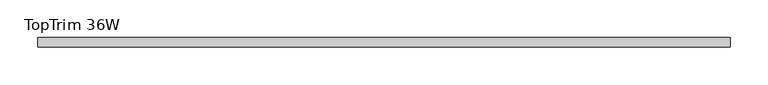
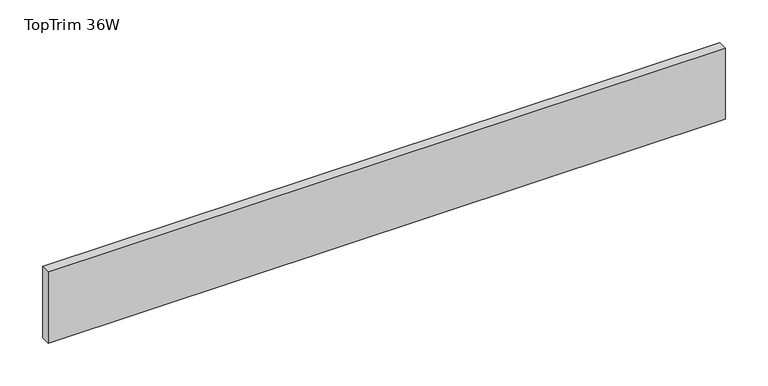
"""IFC4 building model written with IfcOpenShell, lengths in millimetres: furniture geometry, TopTrim 36W."""

from ifc_helpers import new_model, si_unit, frame, origin, place, context, project, spatial, polyline, outline, extrude, source, transform, mapped, element, save


def toptrim_36w_1ff9ef8b(model_context):
    return source(origin(), model_context, "Body", "SweptSolid", [
        extrude(outline(polyline([(0.0, -50.8000015), (0.0, -38.1), (914.4, -38.1), (914.4, -50.8000015), (0.0, -50.8000015)])), frame((0.0, 0.0, 2184.4), z_axis=(0.0, 0.0, 1.0), x_axis=(1.0, 0.0, 0.0)), (0.0, 0.0, 1.0), 101.600003),
    ])


if __name__ == "__main__":
    model = new_model("IFC4")
    model_context = context("Model", 3, world=origin())
    ifc_project = project(units=[si_unit("LENGTHUNIT", "METRE", prefix="MILLI")], contexts=[model_context])
    site = spatial("IfcSite", under=ifc_project)
    building = spatial("IfcBuilding", under=site)
    placement = place(None, origin())
    toptrim_36w_shape = toptrim_36w_1ff9ef8b(model_context)
    element("IfcFurniture", 1, ObjectType="TopTrim 36W", at=placement, inside=building, context=model_context, shape_type="MappedRepresentation", body=[
        mapped(toptrim_36w_shape, transform((0.0, 0.0, 0.0), x_axis=(1.0, 0.0, 0.0), y_axis=(0.0, 1.0, 0.0), z_axis=(0.0, 0.0, 1.0))),
    ])
    save(model, "model.ifc")
